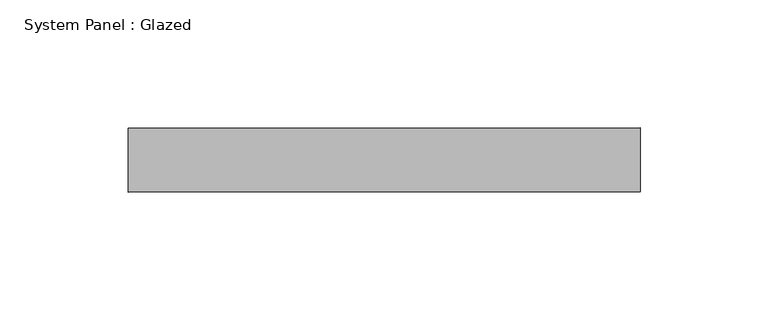
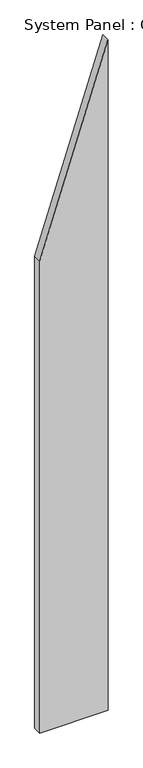
"""IFC4 building model written with IfcOpenShell, lengths in millimetres: plate geometry, System Panel : Glazed."""

from ifc_helpers import new_model, si_unit, frame, origin, place, context, project, spatial, polyline, outline, extrude, source, transform, mapped, element, save


def system_panel_glazed_521da1fa(model_context):
    return source(origin(), model_context, "Body", "SweptSolid", [
        extrude(outline(polyline([(0.0, -100.0), (0.0, 100.0), (2076.9230779, 100.0), (1461.5384625, -100.0), (0.0, -100.0)])), frame((0.0, 24.5, 0.0), z_axis=(0.0, 1.0, 0.0), x_axis=(0.0, 0.0, 1.0)), (0.0, 0.0, 1.0), 25.0),
    ])


if __name__ == "__main__":
    model = new_model("IFC4")
    model_context = context("Model", 3, world=origin())
    ifc_project = project(units=[si_unit("LENGTHUNIT", "METRE", prefix="MILLI")], contexts=[model_context])
    site = spatial("IfcSite", under=ifc_project)
    building = spatial("IfcBuilding", under=site)
    placement = place(None, origin())
    system_panel_glazed_shape = system_panel_glazed_521da1fa(model_context)
    element("IfcPlate", 1, ObjectType="System Panel : Glazed", at=placement, inside=building, context=model_context, shape_type="MappedRepresentation", body=[
        mapped(system_panel_glazed_shape, transform((0.0, 0.0, 0.0), x_axis=(1.0, 0.0, 0.0), y_axis=(0.0, 1.0, 0.0), z_axis=(0.0, 0.0, 1.0))),
    ])
    save(model, "model.ifc")
